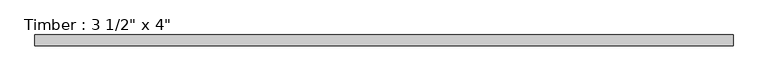
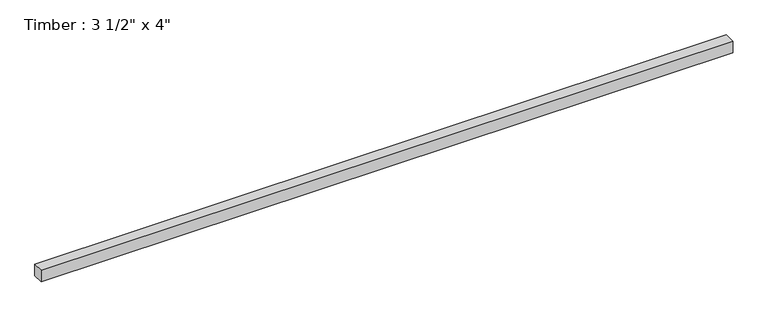
"""IFC4 building model written with IfcOpenShell, lengths in millimetres: beam geometry."""

import ifcopenshell
import ifcopenshell.guid

model = None  # the IFC model being written
_history = None  # IfcOwnerHistory: only IFC2X3 demands one
_inside = {}  # id of a spatial element -> (the spatial element, [elements in it])
_under = {}  # id of a project, library or spatial element -> (it, [spatial elements below it])
_declared = {}  # id of a project -> (the project, [libraries it declares])
_typed = {}  # id of a type object -> (the type object, [elements of that type])
_made_of = {}  # id of a material, layer set ... -> (it, [elements and type objects made of it])


def new_model(schema):
    """Start an empty IFC model of exactly this schema.

    Asked for "IFC4X3", IfcOpenShell would pick the latest addendum, in which some entities
    have other attributes; the version numbers below select the first issue.
    IFC2X3 requires an IfcOwnerHistory on every rooted entity: one is made here for all.
    """
    global model, _history
    if schema == "IFC4X3":
        model = ifcopenshell.file(schema_version=(4, 3, 0, 0))
    else:
        model = ifcopenshell.file(schema=schema)
    _inside.clear()
    _under.clear()
    _declared.clear()
    _typed.clear()
    _made_of.clear()
    _history = None
    if model.schema == "IFC2X3":
        org = make("IfcOrganization", Name="unknown")
        user = make(
            "IfcPersonAndOrganization",
            ThePerson=make("IfcPerson", FamilyName="unknown"),
            TheOrganization=org,
        )
        app = make(
            "IfcApplication",
            ApplicationDeveloper=org,
            Version="unknown",
            ApplicationFullName="unknown",
            ApplicationIdentifier="unknown",
        )
        _history = make(
            "IfcOwnerHistory",
            OwningUser=user,
            OwningApplication=app,
            ChangeAction="ADDED",
            CreationDate=0,
        )
    return model


def make(cls, **values):
    """One entity of the class cls with the attributes given. An attribute that is None is left unset."""
    return model.create_entity(
        cls, **{name: value for name, value in values.items() if value is not None}
    )


def rooted(cls, **values):
    """An entity with a GlobalId (a new one), such as an element, a storey or a relation."""
    return make(cls, GlobalId=ifcopenshell.guid.new(), OwnerHistory=_history, **values)


def si_unit(unit_type, name, prefix=None):
    """IfcSIUnit, for example si_unit("LENGTHUNIT", "METRE", prefix="MILLI")."""
    return make("IfcSIUnit", UnitType=unit_type, Prefix=prefix, Name=name)


def assignment(units):
    """IfcUnitAssignment: the units of a project."""
    return None if units is None else make("IfcUnitAssignment", Units=units)


def point(xyz):
    """IfcCartesianPoint."""
    return None if xyz is None else make("IfcCartesianPoint", Coordinates=xyz)


def direction(xyz):
    """IfcDirection."""
    return None if xyz is None else make("IfcDirection", DirectionRatios=xyz)


def frame(location, z_axis=None, x_axis=None):
    """IfcAxis2Placement3D, a coordinate frame: its origin and axes. An axis left out is left unset."""
    return make(
        "IfcAxis2Placement3D",
        Location=point(location),
        Axis=direction(z_axis),
        RefDirection=direction(x_axis),
    )


def origin():
    """The frame at (0, 0, 0) with its axes left unset."""
    return frame((0.0, 0.0, 0.0))


def place(relative_to, where):
    """IfcLocalPlacement: puts the frame where relative to a parent placement (None: the world)."""
    return make(
        "IfcLocalPlacement", PlacementRelTo=relative_to, RelativePlacement=where
    )


def context(
    kind, dimensions, precision=None, world=None, true_north=None, identifier=None
):
    """IfcGeometricRepresentationContext, for example the 3D "Model" context."""
    return make(
        "IfcGeometricRepresentationContext",
        ContextIdentifier=identifier,
        ContextType=kind,
        CoordinateSpaceDimension=dimensions,
        Precision=precision,
        WorldCoordinateSystem=world,
        TrueNorth=true_north,
    )


def project(units=None, contexts=None):
    """IfcProject with its units and contexts."""
    return rooted(
        "IfcProject",
        Name="project",
        RepresentationContexts=contexts,
        UnitsInContext=assignment(units),
    )


def spatial(cls, under=None, at=None, **own):
    """A site, building, storey or space (cls), placed at a placement, below another one or the project."""
    s = rooted(cls, ObjectPlacement=at, **own)
    if under is not None:
        _under.setdefault(under.id(), (under, []))[1].append(s)
    return s


def polyline(points):
    """IfcPolyline through the points."""
    return make("IfcPolyline", Points=[point(p) for p in points])


def outline(outer, holes=None, kind="AREA"):
    """IfcArbitraryClosedProfileDef: a profile drawn as a closed curve; with holes, ...WithVoids."""
    if holes is None:
        return make("IfcArbitraryClosedProfileDef", ProfileType=kind, OuterCurve=outer)
    return make(
        "IfcArbitraryProfileDefWithVoids",
        ProfileType=kind,
        OuterCurve=outer,
        InnerCurves=holes,
    )


def extrude(swept, where, along, depth):
    """IfcExtrudedAreaSolid: the profile swept, set in the frame where, extruded along a direction by depth."""
    return make(
        "IfcExtrudedAreaSolid",
        SweptArea=swept,
        Position=where,
        ExtrudedDirection=direction(along),
        Depth=depth,
    )


def shape(context_of_items, identifier, shape_type, items):
    """IfcShapeRepresentation: the items that make up one representation, for example the "Body"."""
    return make(
        "IfcShapeRepresentation",
        ContextOfItems=context_of_items,
        RepresentationIdentifier=identifier,
        RepresentationType=shape_type,
        Items=items,
    )


def source(mapping_origin, context_of_items, identifier, shape_type, items):
    """IfcRepresentationMap: a shape defined once, which mapped items show again and again."""
    return make(
        "IfcRepresentationMap",
        MappingOrigin=mapping_origin,
        MappedRepresentation=shape(context_of_items, identifier, shape_type, items),
    )


def transform(
    local_origin,
    x_axis=None,
    y_axis=None,
    z_axis=None,
    scale=None,
    scale2=None,
    scale3=None,
    uniform=True,
):
    """IfcCartesianTransformationOperator3D, or its non-uniform kind. x_axis, y_axis, z_axis: its Axis1, 2, 3."""
    if uniform:
        return make(
            "IfcCartesianTransformationOperator3D",
            Axis1=direction(x_axis),
            Axis2=direction(y_axis),
            LocalOrigin=point(local_origin),
            Scale=scale,
            Axis3=direction(z_axis),
        )
    return make(
        "IfcCartesianTransformationOperator3DnonUniform",
        Axis1=direction(x_axis),
        Axis2=direction(y_axis),
        LocalOrigin=point(local_origin),
        Scale=scale,
        Axis3=direction(z_axis),
        Scale2=scale2,
        Scale3=scale3,
    )


def mapped(mapping_source, mapping_target):
    """IfcMappedItem: shows the shape of a source again, moved by a transform."""
    return make(
        "IfcMappedItem", MappingSource=mapping_source, MappingTarget=mapping_target
    )


def made_of(thing, what):
    """Note that an element or type object is made of a material, layer set ...; save() writes the relation."""
    if what is not None:
        _made_of.setdefault(what.id(), (what, []))[1].append(thing)
    return thing


def element(
    cls,
    number,
    at=None,
    inside=None,
    cuts=None,
    type_object=None,
    material=None,
    context=None,
    identifier="Body",
    shape_type=None,
    held_by="IfcProductDefinitionShape",
    body=None,
    shapes=None,
    **own,
):
    """One element of the class cls, such as IfcWall. Its Tag is "e" and its number.

    at: its placement. inside: the storey or other place that contains it. cuts: it is an
    opening in that element (IfcRelVoidsElement). A single representation is given by context,
    identifier, shape_type and body (its items); several are given by shapes. held_by: the class
    of the entity that holds the representations. save() writes the other relations.
    """
    e = rooted(cls, Tag="e%d" % number, ObjectPlacement=at, **own)
    if body is not None:
        shapes = [shape(context, identifier, shape_type, body)]
    if shapes is not None:
        e.Representation = make(held_by, Representations=shapes)
    if inside is not None:
        _inside.setdefault(inside.id(), (inside, []))[1].append(e)
    if cuts is not None:
        rooted(
            "IfcRelVoidsElement", RelatingBuildingElement=cuts, RelatedOpeningElement=e
        )
    if type_object is not None:
        _typed.setdefault(type_object.id(), (type_object, []))[1].append(e)
    return made_of(e, material)


def aggregate(whole, parts):
    """IfcRelAggregates: a whole, such as a stair, and the parts it consists of."""
    return rooted("IfcRelAggregates", RelatingObject=whole, RelatedObjects=parts)


def save(model, path):
    """Write the relations noted so far, then the file.

    IfcRelAggregates (storeys below a building ...), IfcRelContainedInSpatialStructure (elements
    in a storey), IfcRelDefinesByType, IfcRelAssociatesMaterial and IfcRelDeclares: one each for
    every whole, place, type object, material and project.
    """
    for whole, parts in _under.values():
        aggregate(whole, parts)
    for where, things in _inside.values():
        rooted(
            "IfcRelContainedInSpatialStructure",
            RelatedElements=things,
            RelatingStructure=where,
        )
    for kind, things in _typed.values():
        rooted("IfcRelDefinesByType", RelatedObjects=things, RelatingType=kind)
    for what, things in _made_of.values():
        rooted("IfcRelAssociatesMaterial", RelatedObjects=things, RelatingMaterial=what)
    for by, libraries in _declared.values():
        rooted("IfcRelDeclares", RelatingContext=by, RelatedDefinitions=libraries)
    model.write(path)


def beam_054bd964(model_context):
    return source(origin(), model_context, "Body", "SweptSolid", [
        extrude(outline(polyline([(2867.3371065, -44.45), (-2870.764521, -44.45), (-2870.764521, 44.45), (2867.3371065, 44.45), (2867.3371065, -44.45)])), frame((0.0, 0.0, -50.8), z_axis=(0.0, 0.0, 1.0), x_axis=(1.0, 0.0, 0.0)), (0.0, 0.0, 1.0), 101.6),
    ])


if __name__ == "__main__":
    model = new_model("IFC4")
    model_context = context("Model", 3, world=origin())
    ifc_project = project(units=[si_unit("LENGTHUNIT", "METRE", prefix="MILLI")], contexts=[model_context])
    site = spatial("IfcSite", under=ifc_project)
    building = spatial("IfcBuilding", under=site)
    placement = place(None, origin())
    beam_shape = beam_054bd964(model_context)
    element("IfcBeam", 1, ObjectType="Timber : 3 1/2\" x 4\"", at=placement, inside=building, context=model_context, shape_type="MappedRepresentation", body=[
        mapped(beam_shape, transform((0.0, 0.0, 0.0), x_axis=(1.0, 0.0, 0.0), y_axis=(0.0, 1.0, 0.0), z_axis=(0.0, 0.0, 1.0))),
    ])
    save(model, "model.ifc")
